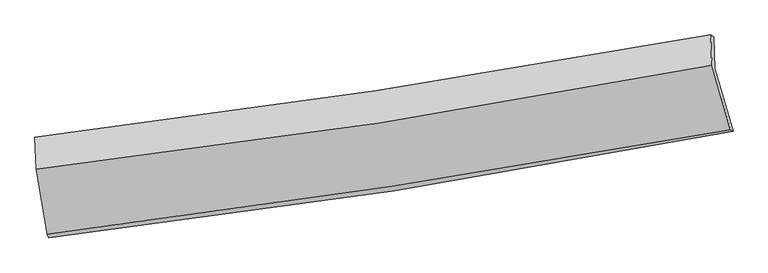
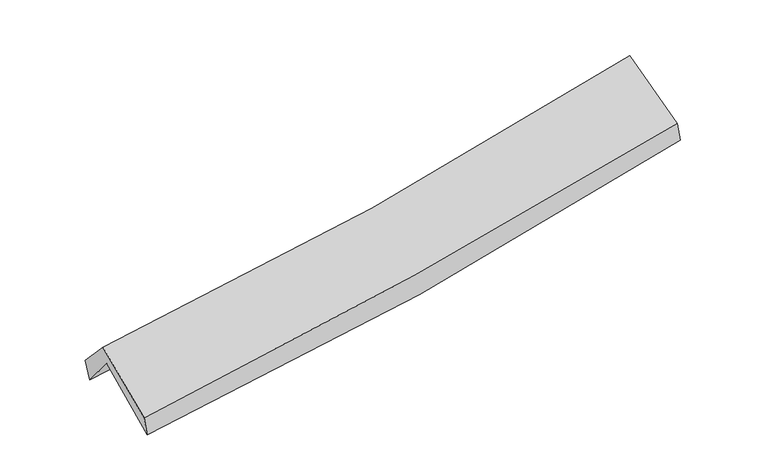
"""IFC4 building model written with IfcOpenShell, lengths in millimetres: proxy geometry."""

from ifc_helpers import new_model, si_unit, frame, origin, place, context, project, spatial, source, transform, mapped, element, save
from ifc_brep_helpers import plane_surface, spline_curve, spline_surface, advanced_brep


def generic_models_896827d6(model_context):
    return source(origin(), model_context, "Body", "AdvancedBrep", [
        advanced_brep(
        [(-2686.9888677, -2503.0053402, 1473.9175411), (-2772.9567607, -1995.1128168, 1908.2775712), (2687.4647241, -1138.1025144, 2393.3256408), (2835.2737684, -1643.2341429, 1961.4304639), (-2783.5631711, -1737.0282419, 1591.3808681), (2678.2565974, -880.2902828, 2065.2764445), (-2799.3699342, -1692.0409464, 1762.9998563), (2654.0481514, -867.4111592, 2245.5562847), (-2786.5545293, -1953.2381423, 2049.8948066), (2664.7051285, -1110.3423801, 2538.2705531), (-2699.9786044, -2476.4889423, 1634.769009), (2813.6840382, -1631.7648892, 2122.2349471)],
        [
            (0, 1),
            (1, 2, spline_curve(3, [(-2772.9567607, -1995.1128168, 1908.2775712), (-1849.531590841, -1886.0613343, 1957.924747931), (-930.235726698, -1759.616759987, 2023.486850332), (889.812476882, -1473.55791849, 2185.525243787), (1790.657107618, -1314.332391961, 2281.645831165), (2687.4647241, -1138.1025144, 2393.3256408)], [4, 2, 4], [0.0, 9.207800557349609, 18.312121113052278])),
            (2, 3),
            (3, 0, spline_curve(3, [(2835.2737684, -1643.2341429, 1961.4304639), (1929.02885419, -1820.389489213, 1845.666939807), (1018.343559346, -1980.307846633, 1747.289867452), (-822.309140149, -2267.292304813, 1584.388083734), (-1752.37805712, -2393.964346613, 1520.260848497), (-2686.9888677, -2503.0053402, 1473.9175411)], [4, 2, 4], [0.0, 9.10432055570267, 18.312121113052278])),
            (1, 4),
            (4, 5, spline_curve(3, [(-2783.5631711, -1737.0282419, 1591.3808681), (-1859.425222253, -1634.529414836, 1643.628798498), (-939.657138227, -1511.365606332, 1709.544021561), (880.851783538, -1225.324418386, 1867.81468185), (1781.690288974, -1062.908906997, 1959.864650593), (2678.2565974, -880.2902828, 2065.2764445)], [4, 2, 4], [0.0, 9.157326506858901, 18.21174025446446])),
            (5, 2),
            (4, 6),
            (6, 7, spline_curve(3, [(-2799.3699342, -1692.0409464, 1762.9998563), (-1878.87410709, -1582.121078717, 1815.495380435), (-961.624868622, -1457.97372425, 1882.263618853), (856.10859756, -1182.779139974, 2043.434760821), (1756.66538779, -1032.049898646, 2137.518665366), (2654.0481514, -867.4111592, 2245.5562847)], [4, 2, 4], [0.0, 9.146852188265079, 18.190909330784898])),
            (7, 5),
            (6, 8),
            (8, 9, spline_curve(3, [(-2786.5545293, -1953.2381423, 2049.8948066), (-1865.025006538, -1846.322051113, 2101.452549693), (-947.443748201, -1722.128681566, 2168.244986197), (869.554559447, -1440.777275256, 2331.377401712), (1769.059854016, -1284.005390694, 2427.376880393), (2664.7051285, -1110.3423801, 2538.2705531)], [4, 2, 4], [0.0, 9.137372225920098, 18.17205594473171])),
            (9, 7),
            (8, 10),
            (10, 11, spline_curve(3, [(-2699.9786044, -2476.4889423, 1634.769009), (-1769.901619242, -2359.301824488, 1694.250136585), (-842.811593089, -2229.847877506, 1764.905201807), (995.00919494, -1947.999025731, 1927.64358852), (1905.806716638, -1795.878288278, 2019.477169414), (2813.6840382, -1631.7648892, 2122.2349471)], [4, 2, 4], [0.0, 9.188685584853745, 18.274105987807467])),
            (11, 9),
            (10, 0),
            (3, 11),
        ],
        [
            spline_surface(3, 3, [[(-2686.9888677, -2503.0053402, 1473.9175411), (-1752.378057195, -2393.964346495, 1520.260848554), (-822.309140079, -2267.292304841, 1584.388083787), (1018.343559277, -1980.307846605, 1747.2898674), (1929.028854228, -1820.389489163, 1845.666939822), (2835.2737684, -1643.2341429, 1961.4304639)], [(-2715.644832051, -2333.707832409, 1618.704217773), (-1784.762568478, -2224.663342432, 1666.148815018), (-858.284668962, -2098.067123246, 1730.754339364), (975.499865189, -1811.391203902, 1893.368326164), (1882.904938713, -1651.703790085, 1990.993236906), (2786.004086968, -1474.856933389, 2105.395522877)], [(-2744.300796349, -2164.410324591, 1763.490894527), (-1817.147079707, -2055.362338344, 1812.036781564), (-894.260197896, -1928.841941615, 1877.120594898), (932.656171049, -1642.474561161, 2039.446784882), (1836.781023193, -1483.018091038, 2136.319533958), (2736.734405532, -1306.479723911, 2249.360581823)], [(-2772.9567607, -1995.1128168, 1908.2775712), (-1849.53159099, -1886.061334281, 1957.924748027), (-930.235726778, -1759.61676002, 2023.486850476), (889.812476961, -1473.557918457, 2185.525243646), (1790.657107677, -1314.33239196, 2281.645831042), (2687.4647241, -1138.1025144, 2393.3256408)]], [4, 4], [4, 2, 4], [0.0, 2.2339929981395485], [0.0, 9.207800557349609, 18.312121113052278]),
            spline_surface(3, 3, [[(-2772.9567607, -1995.1128168, 1908.2775712), (-1849.53159099, -1886.061334281, 1957.924748027), (-930.235726778, -1759.61676002, 2023.486850476), (889.812476961, -1473.557918457, 2185.525243646), (1790.657107677, -1314.33239196, 2281.645831042), (2687.4647241, -1138.1025144, 2393.3256408)], [(-2776.49223081, -1909.084625154, 1802.645336856), (-1852.829468104, -1802.217361076, 1853.159431515), (-933.376197273, -1676.866375467, 1918.83924087), (886.825579128, -1390.813418382, 2079.621723038), (1787.668168076, -1230.524563608, 2174.38543761), (2684.395348544, -1052.165103881, 2283.975908705)], [(-2780.02770099, -1823.056433546, 1697.013102444), (-1856.127345288, -1718.373387908, 1748.394114933), (-936.516667713, -1594.115990978, 1814.19163123), (883.838681351, -1308.06891837, 1973.718202395), (1784.679228444, -1146.716735212, 2067.125044163), (2681.325972956, -966.227693319, 2174.626176595)], [(-2783.5631711, -1737.0282419, 1591.3808681), (-1859.425222402, -1634.529414702, 1643.628798421), (-939.657138208, -1511.365606425, 1709.544021625), (880.851783518, -1225.324418294, 1867.814681787), (1781.690288843, -1062.90890686, 1959.86465073), (2678.2565974, -880.2902828, 2065.2764445)]], [4, 4], [4, 2, 4], [0.0, 1.3182370924919806], [0.0, 9.157326506858901, 18.21174025446446]),
            spline_surface(3, 3, [[(-2783.5631711, -1737.0282419, 1591.3808681), (-1859.425222402, -1634.529414702, 1643.628798421), (-939.657138208, -1511.365606425, 1709.544021625), (880.851783518, -1225.324418294, 1867.814681787), (1781.690288843, -1062.90890686, 1959.86465073), (2678.2565974, -880.2902828, 2065.2764445)], [(-2788.832092142, -1722.032476751, 1648.587197475), (-1865.908183998, -1617.059969344, 1700.917659101), (-946.979715017, -1493.568312375, 1767.117220656), (872.604054906, -1211.142658862, 1926.354708165), (1773.348655123, -1052.622570768, 2019.082655657), (2670.187115395, -875.997241597, 2125.369724575)], [(-2794.101013158, -1707.036711549, 1705.793526925), (-1872.391145566, -1599.590523934, 1758.206519855), (-954.30229188, -1475.771018301, 1824.690419703), (864.356326238, -1196.960899406, 1984.894734559), (1765.007021418, -1042.336234686, 2078.30066056), (2662.117633405, -871.704200403, 2185.463004625)], [(-2799.3699342, -1692.0409464, 1762.9998563), (-1878.874107162, -1582.121078576, 1815.495380536), (-961.624868689, -1457.973724251, 1882.263618734), (856.108597626, -1182.779139973, 2043.434760937), (1756.665387697, -1032.049898594, 2137.518665487), (2654.0481514, -867.4111592, 2245.5562847)]], [4, 4], [4, 2, 4], [0.0, 0.5976263403178713], [0.0, 9.146852188265079, 18.190909330784898]),
            spline_surface(3, 3, [[(-2799.3699342, -1692.0409464, 1762.9998563), (-1878.874107162, -1582.121078576, 1815.495380536), (-961.624868689, -1457.973724251, 1882.263618734), (856.108597626, -1182.779139973, 2043.434760937), (1756.665387697, -1032.049898594, 2137.518665487), (2654.0481514, -867.4111592, 2245.5562847)], [(-2795.098132582, -1779.106678347, 1858.6315064), (-1874.257740265, -1670.188069395, 1910.814436902), (-956.897828559, -1546.025376701, 1977.590741248), (860.590584899, -1268.778518404, 2139.415641186), (1760.796876437, -1116.035062623, 2234.13807048), (2657.600477117, -948.388232836, 2343.127707475)], [(-2790.826330918, -1866.172410353, 1954.2631565), (-1869.641373322, -1758.255060273, 2006.133493268), (-952.170788379, -1634.077029129, 2072.917863737), (865.072572222, -1354.777896812, 2235.39652141), (1764.928365126, -1200.020226645, 2330.757475548), (2661.152802783, -1029.365306464, 2440.699130325)], [(-2786.5545293, -1953.2381423, 2049.8948066), (-1865.025006425, -1846.322051092, 2101.452549635), (-947.443748249, -1722.128681579, 2168.244986251), (869.554559495, -1440.777275243, 2331.377401658), (1769.059853866, -1284.005390674, 2427.376880541), (2664.7051285, -1110.3423801, 2538.2705531)]], [4, 4], [4, 2, 4], [0.0, 1.2736708543259427], [0.0, 9.137372225920098, 18.17205594473171]),
            spline_surface(3, 3, [[(-2786.5545293, -1953.2381423, 2049.8948066), (-1865.025006425, -1846.322051092, 2101.452549635), (-947.443748249, -1722.128681579, 2168.244986251), (869.554559495, -1440.777275243, 2331.377401658), (1769.059853866, -1284.005390674, 2427.376880541), (2664.7051285, -1110.3423801, 2538.2705531)], [(-2757.695887656, -2127.655075646, 1911.51954074), (-1833.31721064, -2017.315308866, 1965.71841196), (-912.566363212, -1891.368413542, 2033.798391405), (911.372771322, -1609.851192106, 2196.799463963), (1814.642141413, -1454.629689909, 2291.410310201), (2714.364765056, -1284.149883124, 2399.592017792)], [(-2728.837246044, -2302.072008954, 1773.14427486), (-1801.609414885, -2188.308566604, 1829.984274266), (-877.688978169, -2060.608145473, 1899.351796579), (953.190983155, -1778.925108938, 2062.221526288), (1860.224428992, -1625.25398917, 2155.443739785), (2764.024401644, -1457.957386176, 2260.913482408)], [(-2699.9786044, -2476.4889423, 1634.769009), (-1769.901619099, -2359.301824378, 1694.25013659), (-842.811593132, -2229.847877436, 1764.905201732), (995.009194983, -1947.999025801, 1927.643588593), (1905.806716538, -1795.878288405, 2019.477169446), (2813.6840382, -1631.7648892, 2122.2349471)]], [4, 4], [4, 2, 4], [0.0, 2.1603228885524004], [0.0, 9.188685584853745, 18.274105987807467]),
            spline_surface(3, 3, [[(-2699.9786044, -2476.4889423, 1634.769009), (-1769.901619099, -2359.301824378, 1694.25013659), (-842.811593132, -2229.847877436, 1764.905201732), (995.009194983, -1947.999025801, 1927.643588593), (1905.806716538, -1795.878288405, 2019.477169446), (2813.6840382, -1631.7648892, 2122.2349471)], [(-2695.648692158, -2485.327741594, 1581.151853056), (-1764.060431789, -2370.855998411, 1636.253707268), (-835.977442113, -2242.32935322, 1704.732829061), (1002.787316415, -1958.768632719, 1867.525681506), (1913.547429088, -1804.048688663, 1961.540426214), (2820.88061492, -1635.587973773, 2068.633452676)], [(-2691.318779942, -2494.166540906, 1527.534697044), (-1758.219244506, -2382.410172462, 1578.257277877), (-829.143291098, -2254.810829056, 1644.560456458), (1010.565437844, -1969.538239688, 1807.407774487), (1921.288141678, -1812.219088904, 1903.603683054), (2828.07719168, -1639.411058327, 2015.031958324)], [(-2686.9888677, -2503.0053402, 1473.9175411), (-1752.378057195, -2393.964346495, 1520.260848554), (-822.309140079, -2267.292304841, 1584.388083787), (1018.343559277, -1980.307846605, 1747.2898674), (1929.028854228, -1820.389489163, 1845.666939822), (2835.2737684, -1643.2341429, 1961.4304639)]], [4, 4], [4, 2, 4], [0.0, 0.607222447932494], [0.0, 9.248643746055066, 18.39334848255917]),
            plane_surface(frame((2722.2387347, -1211.8575614, 2221.0157224), z_axis=(0.9756947773431076, 0.18476559756607747, 0.11781924894275274), x_axis=(0.2179671983688663, -0.7628798178409683, -0.6086909593267823))),
            plane_surface(frame((-2754.9019779, -2059.4857383, 1736.8732754), z_axis=(-0.9914160226687232, -0.11564335236967464, -0.060999057766765834), x_axis=(-0.07942892113737997, 0.16214099795286488, 0.9835656273324119))),
        ],
        [
            (0, [[1, 2, 3, 4]]),
            (1, [[5, 6, 7, -2]]),
            (2, [[8, 9, 10, -6]]),
            (3, [[11, 12, 13, -9]]),
            (4, [[14, 15, 16, -12]]),
            (5, [[17, -4, 18, -15]]),
            (6, [[-16, -18, -3, -7, -10, -13]]),
            (7, [[-17, -14, -11, -8, -5, -1]]),
        ],
    ),
    ])


if __name__ == "__main__":
    model = new_model("IFC4")
    model_context = context("Model", 3, world=origin())
    ifc_project = project(units=[si_unit("LENGTHUNIT", "METRE", prefix="MILLI")], contexts=[model_context])
    site = spatial("IfcSite", under=ifc_project)
    building = spatial("IfcBuilding", under=site)
    placement = place(None, origin())
    generic_models_shape = generic_models_896827d6(model_context)
    element("IfcBuildingElementProxy", 1, Name="Generic Models", at=placement, inside=building, context=model_context, shape_type="MappedRepresentation", body=[
        mapped(generic_models_shape, transform((0.0, 0.0, 0.0), x_axis=(1.0, 0.0, 0.0), y_axis=(0.0, 1.0, 0.0), z_axis=(0.0, 0.0, 1.0))),
    ])
    save(model, "model.ifc")
